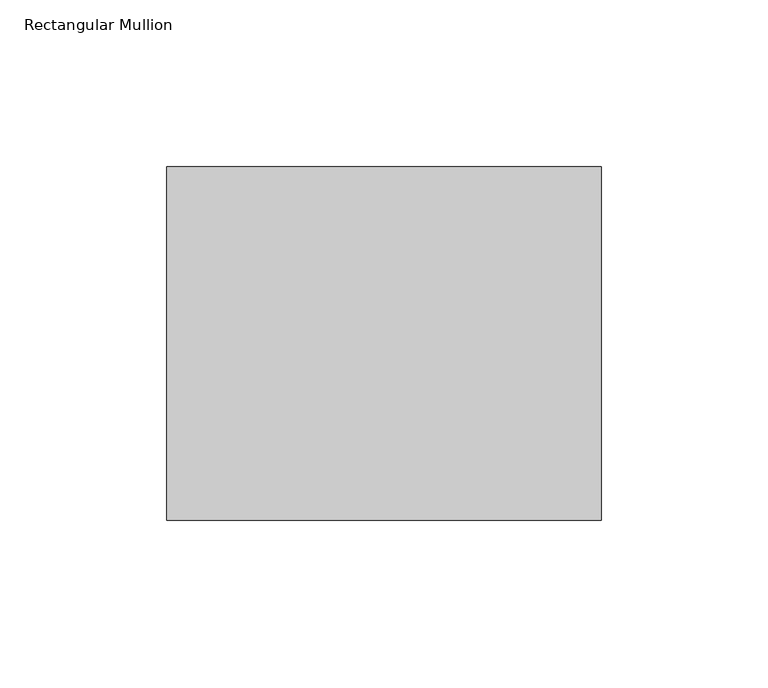
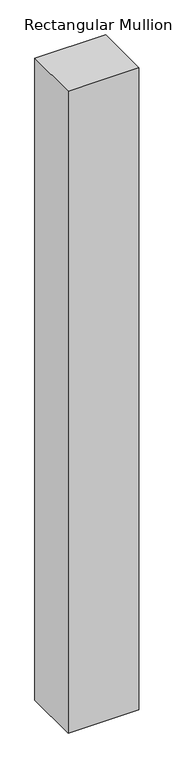
"""IFC4 building model written with IfcOpenShell, lengths in millimetres: member geometry, Rectangular Mullion."""

from ifc_helpers import new_model, si_unit, frame, origin, place, context, project, spatial, polyline, outline, extrude, source, transform, mapped, element, save


def rectangular_mullion_ee0a5a85(model_context):
    return source(origin(), model_context, "Body", "SweptSolid", [
        extrude(outline(polyline([(0.0, -52.8779994), (-130.0, -52.8779994), (-130.0, 52.8779994), (0.0, 52.8779994), (0.0, -52.8779994)])), frame((0.0, 0.0, -1245.5899557), z_axis=(0.0, 0.0, 1.0), x_axis=(1.0, 0.0, 0.0)), (0.0, 0.0, 1.0), 1245.5899557),
    ])


if __name__ == "__main__":
    model = new_model("IFC4")
    model_context = context("Model", 3, world=origin())
    ifc_project = project(units=[si_unit("LENGTHUNIT", "METRE", prefix="MILLI")], contexts=[model_context])
    site = spatial("IfcSite", under=ifc_project)
    building = spatial("IfcBuilding", under=site)
    placement = place(None, origin())
    rectangular_mullion_shape = rectangular_mullion_ee0a5a85(model_context)
    element("IfcMember", 1, ObjectType="Rectangular Mullion", at=placement, inside=building, context=model_context, shape_type="MappedRepresentation", body=[
        mapped(rectangular_mullion_shape, transform((0.0, 0.0, 0.0), x_axis=(1.0, 0.0, 0.0), y_axis=(0.0, 1.0, 0.0), z_axis=(0.0, 0.0, 1.0))),
    ])
    save(model, "model.ifc")
